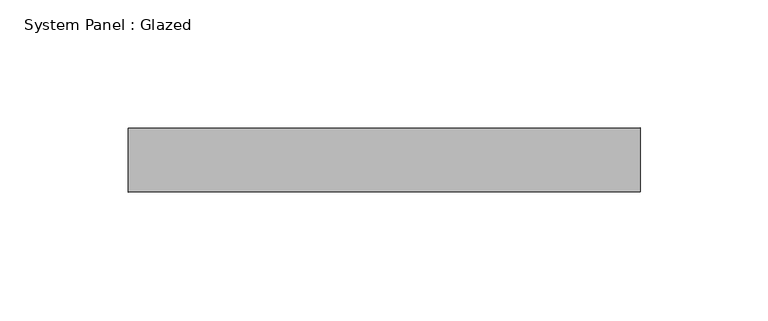
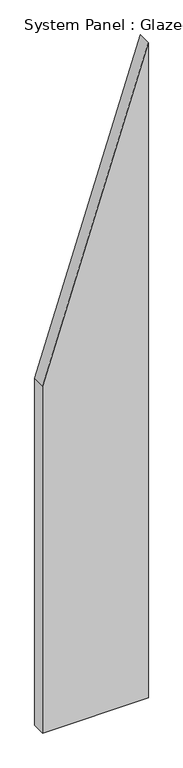
"""IFC4 building model written with IfcOpenShell, lengths in millimetres: plate geometry, System Panel : Glazed."""

from ifc_helpers import new_model, si_unit, frame, origin, place, context, project, spatial, polyline, outline, extrude, source, transform, mapped, element, save


def system_panel_glazed_48f91585(model_context):
    return source(origin(), model_context, "Body", "SweptSolid", [
        extrude(outline(polyline([(0.0, -100.0), (0.0, 100.0), (1307.6923086, 100.0), (692.3076932, -100.0), (0.0, -100.0)])), frame((0.0, 24.5, 0.0), z_axis=(0.0, 1.0, 0.0), x_axis=(0.0, 0.0, 1.0)), (0.0, 0.0, 1.0), 25.0),
    ])


if __name__ == "__main__":
    model = new_model("IFC4")
    model_context = context("Model", 3, world=origin())
    ifc_project = project(units=[si_unit("LENGTHUNIT", "METRE", prefix="MILLI")], contexts=[model_context])
    site = spatial("IfcSite", under=ifc_project)
    building = spatial("IfcBuilding", under=site)
    placement = place(None, origin())
    system_panel_glazed_shape = system_panel_glazed_48f91585(model_context)
    element("IfcPlate", 1, ObjectType="System Panel : Glazed", at=placement, inside=building, context=model_context, shape_type="MappedRepresentation", body=[
        mapped(system_panel_glazed_shape, transform((0.0, 0.0, 0.0), x_axis=(1.0, 0.0, 0.0), y_axis=(0.0, 1.0, 0.0), z_axis=(0.0, 0.0, 1.0))),
    ])
    save(model, "model.ifc")
